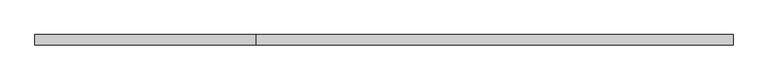
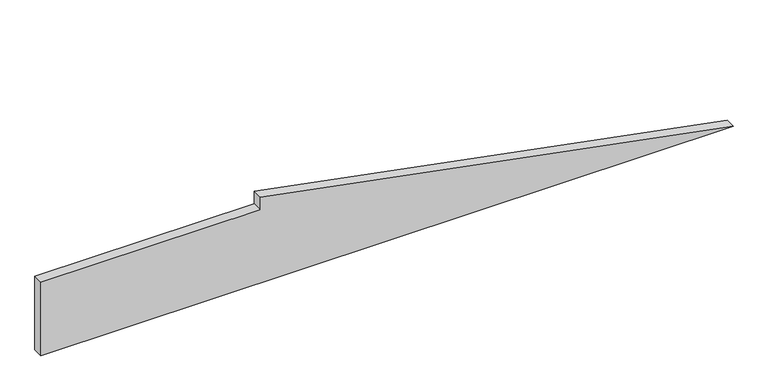
"""IFC4 building model written with IfcOpenShell, lengths in millimetres: plate geometry."""

from ifc_helpers import new_model, si_unit, frame, origin, place, context, project, spatial, polyline, outline, extrude, source, transform, mapped, element, save


def plate_0197812f(model_context):
    return source(origin(), model_context, "Body", "SweptSolid", [
        extrude(outline(polyline([(0.0, -669.7087311), (0.0, 669.7087311), (175.0, -245.0639962), (150.0, -245.0639962), (150.0, -669.7087311), (0.0, -669.7087311)])), frame((0.0, 20.0, 0.0), z_axis=(0.0, 1.0, 0.0), x_axis=(0.0, 0.0, 1.0)), (0.0, 0.0, 1.0), 20.0),
    ])


if __name__ == "__main__":
    model = new_model("IFC4")
    model_context = context("Model", 3, world=origin())
    ifc_project = project(units=[si_unit("LENGTHUNIT", "METRE", prefix="MILLI")], contexts=[model_context])
    site = spatial("IfcSite", under=ifc_project)
    building = spatial("IfcBuilding", under=site)
    placement = place(None, origin())
    plate_shape = plate_0197812f(model_context)
    element("IfcPlate", 1, at=placement, inside=building, context=model_context, shape_type="MappedRepresentation", body=[
        mapped(plate_shape, transform((0.0, 0.0, 0.0), x_axis=(1.0, 0.0, 0.0), y_axis=(0.0, 1.0, 0.0), z_axis=(0.0, 0.0, 1.0))),
    ])
    save(model, "model.ifc")
